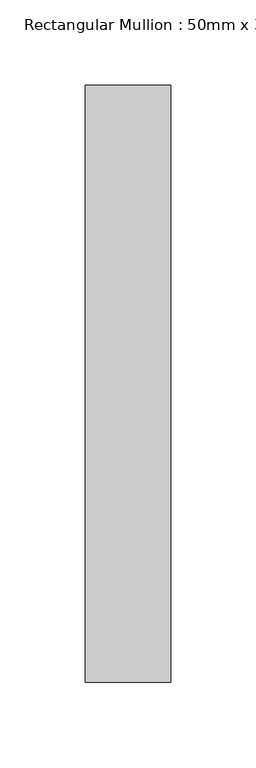
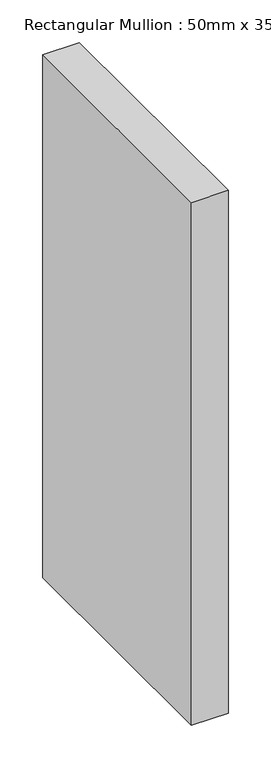
"""IFC4 building model written with IfcOpenShell, lengths in millimetres: member geometry, Rectangular Mullion : 50mm x 350mm."""

from ifc_helpers import new_model, si_unit, frame, origin, place, context, project, spatial, polyline, outline, extrude, source, transform, mapped, element, save


def rectangular_mullion_50mm_x_350mm_50ec9206(model_context):
    return source(origin(), model_context, "Body", "SweptSolid", [
        extrude(outline(polyline([(0.0, 175.0), (0.0, -175.0), (-50.0, -175.0), (-50.0, 175.0), (0.0, 175.0)])), frame((0.0, 0.0, -750.0), z_axis=(0.0, 0.0, 1.0), x_axis=(1.0, 0.0, 0.0)), (0.0, 0.0, 1.0), 750.0),
    ])


if __name__ == "__main__":
    model = new_model("IFC4")
    model_context = context("Model", 3, world=origin())
    ifc_project = project(units=[si_unit("LENGTHUNIT", "METRE", prefix="MILLI")], contexts=[model_context])
    site = spatial("IfcSite", under=ifc_project)
    building = spatial("IfcBuilding", under=site)
    placement = place(None, origin())
    rectangular_mullion_50mm_x_350mm_shape = rectangular_mullion_50mm_x_350mm_50ec9206(model_context)
    element("IfcMember", 1, ObjectType="Rectangular Mullion : 50mm x 350mm", at=placement, inside=building, context=model_context, shape_type="MappedRepresentation", body=[
        mapped(rectangular_mullion_50mm_x_350mm_shape, transform((0.0, 0.0, 0.0), x_axis=(1.0, 0.0, 0.0), y_axis=(0.0, 1.0, 0.0), z_axis=(0.0, 0.0, 1.0))),
    ])
    save(model, "model.ifc")
